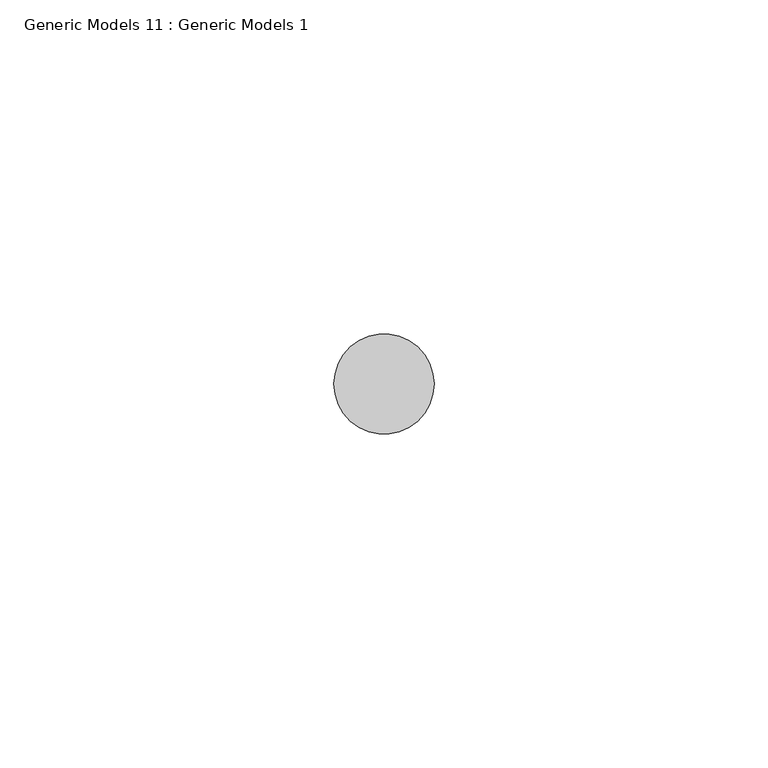
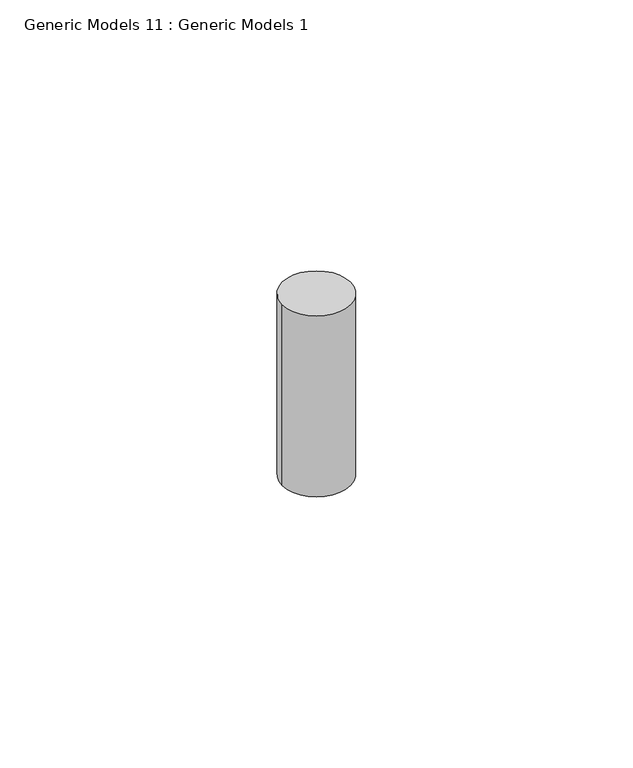
"""IFC4 building model written with IfcOpenShell, lengths in millimetres: proxy geometry, Generic Models 11 : Generic Models 1."""

from ifc_helpers import new_model, si_unit, point, frame, frame_2d, origin, place, context, project, spatial, circle_curve, trimmed, segment, composite_curve, outline, extrude, source, transform, mapped, element, save


def generic_models_11_generic_models_1_de9f5112(model_context):
    return source(origin(), model_context, "Body", "SweptSolid", [
        extrude(outline(composite_curve([segment(trimmed(circle_curve(frame_2d((2232.7165127, 400.3057469)), 7.5), [point((2225.2165127, 400.3057469))], [point((2240.2165127, 400.3057469))], False, "CARTESIAN"), True, "CONTINUOUS"), segment(trimmed(circle_curve(frame_2d((2232.7165127, 400.3057469)), 7.5), [point((2240.2165127, 400.3057469))], [point((2225.2165127, 400.3057469))], False, "CARTESIAN"), True, "CONTINUOUS")], self_intersect=False)), frame((0.0, 0.0, -826.6691196), z_axis=(0.0, 0.0, 1.0), x_axis=(1.0, 0.0, 0.0)), (0.0, 0.0, 1.0), 42.0000012),
    ])


if __name__ == "__main__":
    model = new_model("IFC4")
    model_context = context("Model", 3, world=origin())
    ifc_project = project(units=[si_unit("LENGTHUNIT", "METRE", prefix="MILLI")], contexts=[model_context])
    site = spatial("IfcSite", under=ifc_project)
    building = spatial("IfcBuilding", under=site)
    placement = place(None, origin())
    generic_models_11_generic_models_1_shape = generic_models_11_generic_models_1_de9f5112(model_context)
    element("IfcBuildingElementProxy", 1, Name="Generic Models 11 : Generic Models 1", ObjectType="Generic Models 11 : Generic Models 1", at=placement, inside=building, context=model_context, shape_type="MappedRepresentation", body=[
        mapped(generic_models_11_generic_models_1_shape, transform((0.0, 0.0, 0.0), x_axis=(1.0, 0.0, 0.0), y_axis=(0.0, 1.0, 0.0), z_axis=(0.0, 0.0, 1.0))),
    ])
    save(model, "model.ifc")
